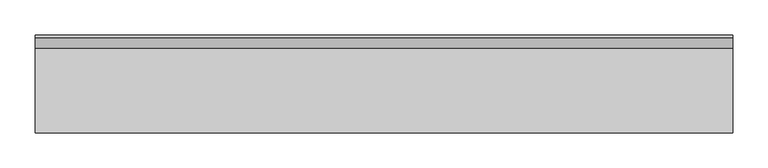
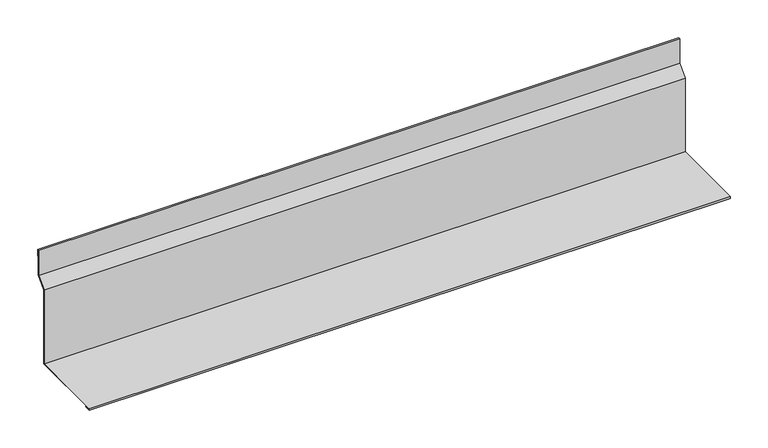
"""IFC4 building model written with IfcOpenShell, lengths in millimetres: proxy geometry."""

from ifc_helpers import new_model, si_unit, frame, origin, place, context, project, spatial, polyline, outline, extrude, source, transform, mapped, element, save


def generic_models_18057314(model_context):
    return source(origin(), model_context, "Body", "SweptSolid", [
        extrude(outline(polyline([(-139.8492424, 2.0), (-139.8492424, 5.0), (-19.8492424, 5.0), (-19.8492424, 125.0), (-5.0, 139.8492424), (-5.0, 179.8492424), (-2.0, 179.8492424), (-2.0, 169.8492424), (-3.0, 169.8492424), (-3.0, 178.8492424), (-4.0, 178.8492424), (-4.0, 139.4350288), (-18.8492424, 124.5857864), (-18.8492424, 4.0), (-139.211731, 4.0), (-139.211731, 3.0), (-129.8492424, 3.0), (-129.8492424, 2.0), (-139.8492424, 2.0)])), frame((0.0, 0.0, 0.0), z_axis=(1.0, 0.0, 0.0), x_axis=(0.0, 1.0, 0.0)), (0.0, 0.0, 1.0), 984.4874325),
    ])


if __name__ == "__main__":
    model = new_model("IFC4")
    model_context = context("Model", 3, world=origin())
    ifc_project = project(units=[si_unit("LENGTHUNIT", "METRE", prefix="MILLI")], contexts=[model_context])
    site = spatial("IfcSite", under=ifc_project)
    building = spatial("IfcBuilding", under=site)
    placement = place(None, origin())
    generic_models_shape = generic_models_18057314(model_context)
    element("IfcBuildingElementProxy", 1, Name="Generic Models", at=placement, inside=building, context=model_context, shape_type="MappedRepresentation", body=[
        mapped(generic_models_shape, transform((0.0, 0.0, 0.0), x_axis=(1.0, 0.0, 0.0), y_axis=(0.0, 1.0, 0.0), z_axis=(0.0, 0.0, 1.0))),
    ])
    save(model, "model.ifc")
